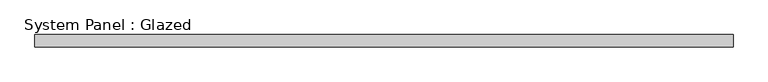
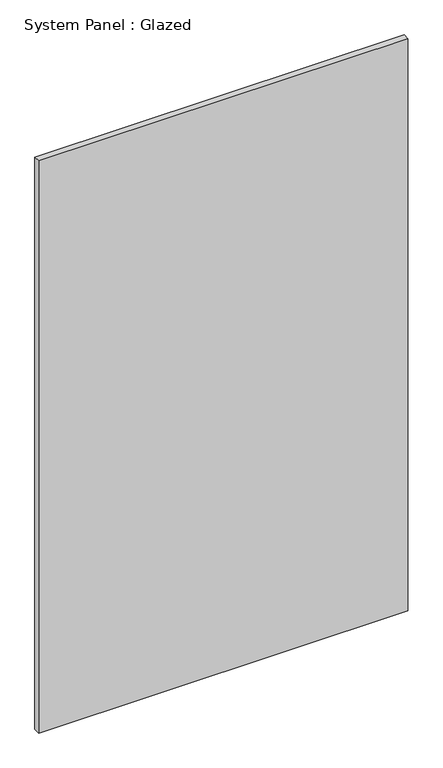
"""IFC4 building model written with IfcOpenShell, lengths in millimetres: plate geometry, System Panel : Glazed."""

from ifc_helpers import new_model, si_unit, origin, origin_with_axes, place, context, project, spatial, polyline, outline, extrude, source, transform, mapped, element, save


def system_panel_glazed_a1a0003a(model_context):
    return source(origin(), model_context, "Body", "SweptSolid", [
        extrude(outline(polyline([(709.7222222, 24.5), (-709.7222222, 24.5), (-709.7222222, 49.5), (709.7222222, 49.5), (709.7222222, 24.5)])), origin_with_axes(), (0.0, 0.0, 1.0), 2325.0),
    ])


if __name__ == "__main__":
    model = new_model("IFC4")
    model_context = context("Model", 3, world=origin())
    ifc_project = project(units=[si_unit("LENGTHUNIT", "METRE", prefix="MILLI")], contexts=[model_context])
    site = spatial("IfcSite", under=ifc_project)
    building = spatial("IfcBuilding", under=site)
    placement = place(None, origin())
    system_panel_glazed_shape = system_panel_glazed_a1a0003a(model_context)
    element("IfcPlate", 1, ObjectType="System Panel : Glazed", at=placement, inside=building, context=model_context, shape_type="MappedRepresentation", body=[
        mapped(system_panel_glazed_shape, transform((0.0, 0.0, 0.0), x_axis=(1.0, 0.0, 0.0), y_axis=(0.0, 1.0, 0.0), z_axis=(0.0, 0.0, 1.0))),
    ])
    save(model, "model.ifc")
